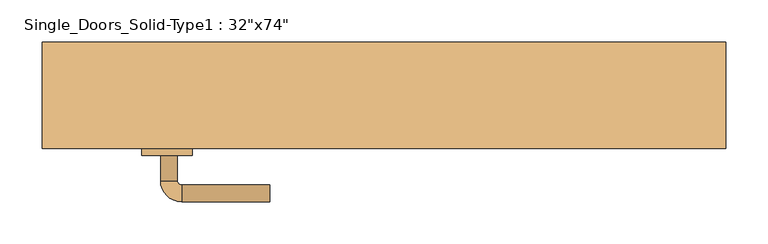
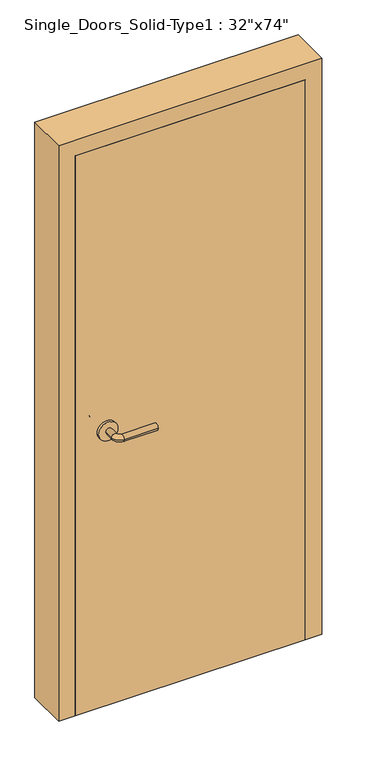
"""IFC4 building model written with IfcOpenShell, lengths in millimetres: door geometry."""

from ifc_helpers import new_model, si_unit, point, frame, frame_2d, origin, origin_with_axes, place, context, project, spatial, polyline, circle_curve, ellipse_curve, trimmed, segment, composite_curve, outline, extrude, faceted_brep, source, transform, mapped, element, save
from ifc_brep_helpers import plane_surface, cylinder_surface, revolved_surface, advanced_brep


def door_f410928f(model_context):
    return source(origin(), model_context, "Body", "SolidModel", [
        advanced_brep(
        [(-265.6, -17.4, 900.0), (-245.6, -17.4, 900.0), (-265.6, 12.6, 900.0), (-245.6, 12.6, 900.0), (-240.6, 17.6, 900.0), (-240.6, 37.6, 900.0), (-135.6, 37.6, 900.0), (-135.6, 17.6, 900.0)],
        [
            (0, 1, circle_curve(frame((-255.6, -17.4, 900.0), z_axis=(0.0, -1.0, 0.0), x_axis=(1.0, 0.0, 0.0)), 10.0)),
            (1, 0, circle_curve(frame((-255.6, -17.4, 900.0), z_axis=(0.0, -1.0, 0.0), x_axis=(1.0, 0.0, 0.0)), 10.0)),
            (0, 2),
            (2, 3, circle_curve(frame((-255.6, 12.6, 900.0), z_axis=(0.0, -1.0, 0.0), x_axis=(1.0, 0.0, 0.0)), 10.0)),
            (3, 1),
            (3, 2, circle_curve(frame((-255.6, 12.6, 900.0), z_axis=(0.0, -1.0, 0.0), x_axis=(1.0, 0.0, 0.0)), 10.0)),
            (4, 3, circle_curve(frame((-240.6, 12.6, 900.0), z_axis=(0.0, 0.0, 1.0), x_axis=(-1.0, 0.0, 0.0)), 5.0)),
            (2, 5, circle_curve(frame((-240.6, 12.6, 900.0), z_axis=(0.0, 0.0, -1.0), x_axis=(-1.0, 0.0, 0.0)), 25.0)),
            (5, 4, circle_curve(frame((-240.6, 27.6, 900.0), z_axis=(-1.0, 0.0, 0.0), x_axis=(0.0, -1.0, 0.0)), 10.0)),
            (4, 5, circle_curve(frame((-240.6, 27.6, 900.0), z_axis=(-1.0, 0.0, 0.0), x_axis=(0.0, -1.0, 0.0)), 10.0)),
            (6, 7, circle_curve(frame((-135.6, 27.6, 900.0), z_axis=(1.0, 0.0, 0.0), x_axis=(0.0, -1.0, 0.0)), 10.0)),
            (7, 6, circle_curve(frame((-135.6, 27.6, 900.0), z_axis=(1.0, 0.0, 0.0), x_axis=(0.0, -1.0, 0.0)), 10.0)),
            (5, 6),
            (7, 4),
        ],
        [
            plane_surface(frame((-255.6, -17.4, 900.0), z_axis=(0.0, -1.0, 0.0), x_axis=(0.0, 0.0, 1.0))),
            cylinder_surface(frame((-255.6, -17.4, 900.0), z_axis=(0.0, -1.0, 0.0), x_axis=(1.0, 0.0, 0.0)), 10.0),
            revolved_surface(trimmed(ellipse_curve(frame((-255.6, 12.6, 900.0), z_axis=(0.0, -1.0, 0.0), x_axis=(1.0, 0.0, 0.0)), 10.0, 10.0), [point((-265.6, 12.6, 900.0))], [point((-245.6, 12.6, 900.0))], True, "CARTESIAN"), (-240.6, 12.6, 900.0), (0.0, 0.0, -1.0)),
            revolved_surface(trimmed(ellipse_curve(frame((-255.6, 12.6, 900.0), z_axis=(0.0, -1.0, 0.0), x_axis=(1.0, 0.0, 0.0)), 10.0, 10.0), [point((-245.6, 12.6, 900.0))], [point((-265.6, 12.6, 900.0))], True, "CARTESIAN"), (-240.6, 12.6, 900.0), (0.0, 0.0, -1.0)),
            plane_surface(frame((-135.6, 27.6, 900.0), z_axis=(1.0, 0.0, 0.0), x_axis=(0.0, 0.0, 1.0))),
            cylinder_surface(frame((-240.6, 27.6, 900.0), z_axis=(-1.0, 0.0, 0.0), x_axis=(0.0, -1.0, 0.0)), 10.0),
        ],
        [
            (0, [[1, 2]]),
            (1, [[-1, 3, 4, 5]]),
            (1, [[-2, -5, 6, -3]]),
            (2, [[7, -4, 8, 9]]),
            (3, [[-8, -6, -7, 10]]),
            (4, [[11, 12]]),
            (5, [[-9, 13, -12, 14]]),
            (5, [[-10, -14, -11, -13]]),
        ],
    ),
        extrude(outline(composite_curve([segment(trimmed(circle_curve(frame_2d((900.0, -258.1)), 30.0), [point((900.0, -288.1))], [point((900.0, -228.1))], False, "CARTESIAN"), True, "CONTINUOUS"), segment(trimmed(circle_curve(frame_2d((900.0, -258.1)), 30.0), [point((900.0, -228.1))], [point((900.0, -288.1))], False, "CARTESIAN"), True, "CONTINUOUS")], self_intersect=False)), frame((0.0, -25.4, 0.0), z_axis=(0.0, 1.0, 0.0), x_axis=(0.0, 0.0, 1.0)), (0.0, 0.0, 1.0), 8.0),
        advanced_brep(
        [(-265.6, -71.5, 900.0), (-245.6, -71.5, 900.0), (-245.6, -101.5, 900.0), (-265.6, -101.5, 900.0), (-240.6, -106.5, 900.0), (-240.6, -126.5, 900.0), (-135.6, -126.5, 900.0), (-135.6, -106.5, 900.0)],
        [
            (0, 1, circle_curve(frame((-255.6, -71.5, 900.0), z_axis=(0.0, 1.0, 0.0), x_axis=(1.0, 0.0, 0.0)), 10.0)),
            (1, 0, circle_curve(frame((-255.6, -71.5, 900.0), z_axis=(0.0, 1.0, 0.0), x_axis=(1.0, 0.0, 0.0)), 10.0)),
            (1, 2),
            (2, 3, circle_curve(frame((-255.6, -101.5, 900.0), z_axis=(0.0, 1.0, 0.0), x_axis=(1.0, 0.0, 0.0)), 10.0)),
            (3, 0),
            (3, 2, circle_curve(frame((-255.6, -101.5, 900.0), z_axis=(0.0, 1.0, 0.0), x_axis=(1.0, 0.0, 0.0)), 10.0)),
            (4, 5, circle_curve(frame((-240.6, -116.5, 900.0), z_axis=(-1.0, 0.0, 0.0), x_axis=(0.0, 1.0, 0.0)), 10.0)),
            (5, 3, circle_curve(frame((-240.6, -101.5, 900.0), z_axis=(0.0, 0.0, -1.0), x_axis=(-1.0, 0.0, 0.0)), 25.0)),
            (2, 4, circle_curve(frame((-240.6, -101.5, 900.0), z_axis=(0.0, 0.0, 1.0), x_axis=(-1.0, 0.0, 0.0)), 5.0)),
            (5, 4, circle_curve(frame((-240.6, -116.5, 900.0), z_axis=(-1.0, 0.0, 0.0), x_axis=(0.0, 1.0, 0.0)), 10.0)),
            (6, 7, circle_curve(frame((-135.6, -116.5, 900.0), z_axis=(1.0, 0.0, 0.0), x_axis=(0.0, 1.0, 0.0)), 10.0)),
            (7, 6, circle_curve(frame((-135.6, -116.5, 900.0), z_axis=(1.0, 0.0, 0.0), x_axis=(0.0, 1.0, 0.0)), 10.0)),
            (4, 7),
            (6, 5),
        ],
        [
            plane_surface(frame((-255.6, -71.5, 900.0), z_axis=(0.0, 1.0, 0.0), x_axis=(0.0, 0.0, 1.0))),
            cylinder_surface(frame((-255.6, -71.5, 900.0), z_axis=(0.0, 1.0, 0.0), x_axis=(1.0, 0.0, 0.0)), 10.0),
            revolved_surface(trimmed(ellipse_curve(frame((-255.6, -101.5, 900.0), z_axis=(0.0, -1.0, 0.0), x_axis=(1.0, 0.0, 0.0)), 10.0, 10.0), [point((-265.6, -101.5, 900.0))], [point((-245.6, -101.5, 900.0))], True, "CARTESIAN"), (-240.6, -101.5, 900.0), (0.0, 0.0, -1.0)),
            revolved_surface(trimmed(ellipse_curve(frame((-255.6, -101.5, 900.0), z_axis=(0.0, -1.0, 0.0), x_axis=(1.0, 0.0, 0.0)), 10.0, 10.0), [point((-245.6, -101.5, 900.0))], [point((-265.6, -101.5, 900.0))], True, "CARTESIAN"), (-240.6, -101.5, 900.0), (0.0, 0.0, -1.0)),
            plane_surface(frame((-135.6, -116.5, 900.0), z_axis=(1.0, 0.0, 0.0), x_axis=(0.0, 0.0, 1.0))),
            cylinder_surface(frame((-240.6, -116.5, 900.0), z_axis=(-1.0, 0.0, 0.0), x_axis=(0.0, 1.0, 0.0)), 10.0),
        ],
        [
            (0, [[1, 2]]),
            (1, [[3, 4, 5, -2]]),
            (1, [[-5, 6, -3, -1]]),
            (2, [[7, 8, -4, 9]]),
            (3, [[10, -9, -6, -8]]),
            (4, [[11, 12]]),
            (5, [[13, -11, 14, -7]]),
            (5, [[-14, -12, -13, -10]]),
        ],
    ),
        extrude(outline(composite_curve([segment(trimmed(circle_curve(frame_2d((900.0, -258.1)), 30.0), [point((900.0, -288.1))], [point((900.0, -228.1))], False, "CARTESIAN"), True, "CONTINUOUS"), segment(trimmed(circle_curve(frame_2d((900.0, -258.1)), 30.0), [point((900.0, -228.1))], [point((900.0, -288.1))], False, "CARTESIAN"), True, "CONTINUOUS")], self_intersect=False)), frame((0.0, -71.5, 0.0), z_axis=(0.0, 1.0, 0.0), x_axis=(0.0, 0.0, 1.0)), (0.0, 0.0, 1.0), 8.0),
        faceted_brep([(-406.4, 63.5, 0.0), (-355.6, 63.5, 0.0), (-355.6, 25.4, 0.0), (-342.9, 25.4, 0.0), (-342.9, -25.4, 0.0), (-355.6, -25.4, 0.0), (-355.6, -63.5, 0.0), (-406.4, -63.5, 0.0), (-406.4, -63.5, 1879.6), (-406.4, 63.5, 1879.6), (-355.6, -63.5, 1828.8), (355.6, -63.5, 1828.8), (355.6, -63.5, 0.0), (406.4, -63.5, 0.0), (406.4, -63.5, 1879.6), (-355.6, -25.4, 1828.8), (-342.9, -25.4, 1816.1), (342.9, -25.4, 1816.1), (342.9, -25.4, 0.0), (355.6, -25.4, 0.0), (355.6, -25.4, 1828.8), (-342.9, 25.4, 1816.1), (-355.6, 25.4, 1828.8), (355.6, 25.4, 1828.8), (355.6, 25.4, 0.0), (342.9, 25.4, 0.0), (342.9, 25.4, 1816.1), (-355.6, 63.5, 1828.8), (406.4, 63.5, 1879.6), (406.4, 63.5, 0.0), (355.6, 63.5, 0.0), (355.6, 63.5, 1828.8)], [[[0, 1, 2, 3, 4, 5, 6, 7]], [[7, 8, 9, 0]], [[6, 10, 11, 12, 13, 14, 8, 7]], [[5, 15, 10, 6]], [[4, 16, 17, 18, 19, 20, 15, 5]], [[3, 21, 16, 4]], [[2, 22, 23, 24, 25, 26, 21, 3]], [[1, 27, 22, 2]], [[0, 9, 28, 29, 30, 31, 27, 1]], [[14, 13, 29, 28]], [[29, 13, 12, 19, 18, 25, 24, 30]], [[20, 19, 12, 11]], [[26, 25, 18, 17]], [[31, 30, 24, 23]], [[8, 14, 28, 9]], [[15, 20, 11, 10]], [[21, 26, 17, 16]], [[27, 31, 23, 22]]]),
        extrude(outline(polyline([(355.6, -25.4), (355.6, -63.5), (-355.6, -63.5), (-355.6, -25.4), (355.6, -25.4)])), origin_with_axes(), (0.0, 0.0, 1.0), 1828.8),
    ])


if __name__ == "__main__":
    model = new_model("IFC4")
    model_context = context("Model", 3, world=origin())
    ifc_project = project(units=[si_unit("LENGTHUNIT", "METRE", prefix="MILLI")], contexts=[model_context])
    site = spatial("IfcSite", under=ifc_project)
    building = spatial("IfcBuilding", under=site)
    placement = place(None, origin())
    door_shape = door_f410928f(model_context)
    element("IfcDoor", 1, ObjectType="Single_Doors_Solid-Type1 : 32\"x74\"", at=placement, inside=building, context=model_context, shape_type="MappedRepresentation", body=[
        mapped(door_shape, transform((0.0, 0.0, 0.0), x_axis=(1.0, 0.0, 0.0), y_axis=(0.0, 1.0, 0.0), z_axis=(0.0, 0.0, 1.0))),
    ])
    save(model, "model.ifc")
